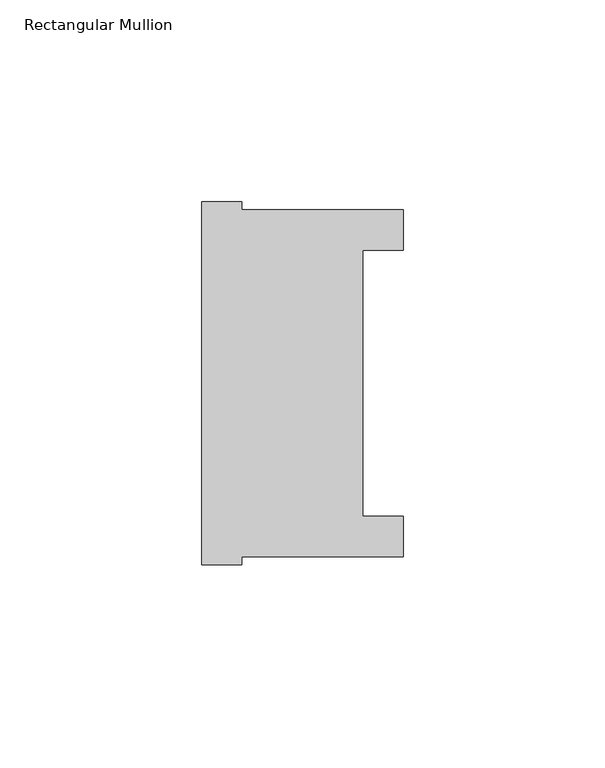
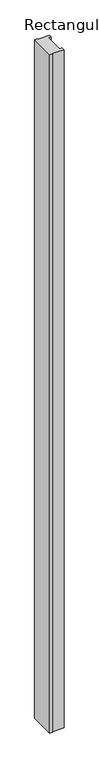
"""IFC4 building model written with IfcOpenShell, lengths in millimetres: member geometry, Rectangular Mullion."""

from ifc_helpers import new_model, si_unit, frame, origin, place, context, project, spatial, polyline, outline, extrude, source, transform, mapped, element, save


def rectangular_mullion_244bb30f(model_context):
    return source(origin(), model_context, "Body", "SweptSolid", [
        extrude(outline(polyline([(-50.0, -44.8550798), (-50.0, 45.1449202), (-40.0, 45.1449202), (-40.0, 43.1449202), (0.0, 43.1449202), (0.0, 33.1449202), (-10.0, 33.1449202), (-10.0, -32.8550798), (0.0, -32.8550798), (0.0, -42.8550798), (-40.0, -42.8550798), (-40.0, -44.8550798), (-50.0, -44.8550798)])), frame((0.0, 0.0, -2473.0), z_axis=(0.0, 0.0, 1.0), x_axis=(1.0, 0.0, 0.0)), (0.0, 0.0, 1.0), 2473.0),
    ])


if __name__ == "__main__":
    model = new_model("IFC4")
    model_context = context("Model", 3, world=origin())
    ifc_project = project(units=[si_unit("LENGTHUNIT", "METRE", prefix="MILLI")], contexts=[model_context])
    site = spatial("IfcSite", under=ifc_project)
    building = spatial("IfcBuilding", under=site)
    placement = place(None, origin())
    rectangular_mullion_shape = rectangular_mullion_244bb30f(model_context)
    element("IfcMember", 1, ObjectType="Rectangular Mullion", at=placement, inside=building, context=model_context, shape_type="MappedRepresentation", body=[
        mapped(rectangular_mullion_shape, transform((0.0, 0.0, 0.0), x_axis=(1.0, 0.0, 0.0), y_axis=(0.0, 1.0, 0.0), z_axis=(0.0, 0.0, 1.0))),
    ])
    save(model, "model.ifc")
